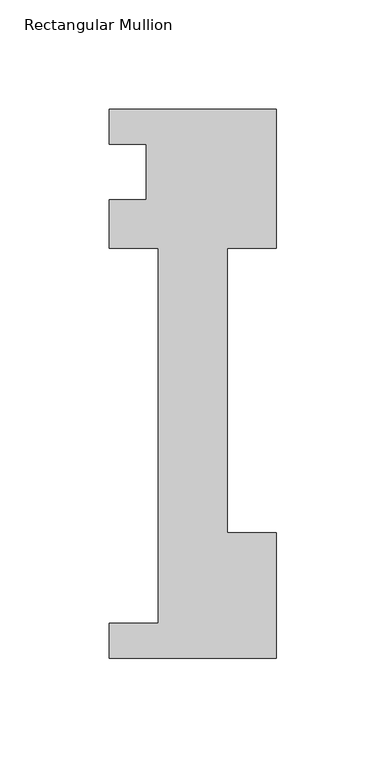
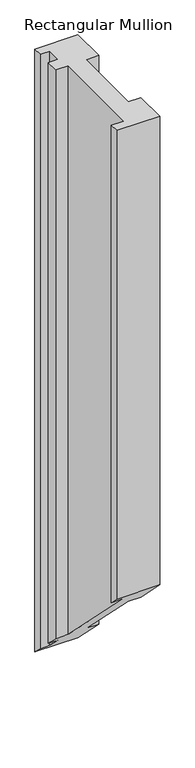
"""IFC4 building model written with IfcOpenShell, lengths in millimetres: member geometry, Rectangular Mullion."""

from ifc_helpers import new_model, si_unit, origin, place, context, project, spatial, faceted_brep, source, transform, mapped, element, save


def rectangular_mullion_b95796ad(model_context):
    return source(origin(), model_context, "Body", "Brep", [
        faceted_brep([(-76.2, -221.996, 0.0), (0.0, -221.996, 0.0), (0.0, -164.75372, 0.0), (-22.225, -164.75372, 0.0), (-22.225, -34.671, 0.0), (0.0, -34.671, 0.0), (0.0, 28.8082618, 0.0), (-76.2, 28.8082618, 0.0), (-76.2, 12.954, 0.0), (-59.2778052, 12.954, 0.0), (-59.2778052, -12.446, 0.0), (-76.2, -12.446, 0.0), (-76.2, -34.671, 0.0), (-53.975, -34.671, 0.0), (-53.975, -206.121, 0.0), (-76.2, -206.121, 0.0), (-76.2, -221.996, -878.4258754), (0.0, -221.996, -878.4258754), (0.0, -164.75372, -935.6681554), (-22.225, -164.75372, -935.6681554), (-22.225, -34.671, -1065.7508754), (0.0, -34.671, -1065.7508754), (0.0, 28.8082618, -1129.2301373), (-76.2, 28.8082618, -1129.2301373), (-76.2, 12.954, -1113.3758755), (-59.2778052, 12.954, -1113.3758755), (-59.2778052, -12.446, -1087.9758755), (-76.2, -12.446, -1087.9758755), (-76.2, -34.671, -1065.7508754), (-53.975, -34.671, -1065.7508754), (-53.975, -206.121, -894.3008754), (-76.2, -206.121, -894.3008754)], [[[0, 1, 2, 3, 4, 5, 6, 7, 8, 9, 10, 11, 12, 13, 14, 15]], [[1, 0, 16, 17]], [[2, 1, 17, 18]], [[3, 2, 18, 19]], [[4, 3, 19, 20]], [[5, 4, 20, 21]], [[6, 5, 21, 22]], [[7, 6, 22, 23]], [[8, 7, 23, 24]], [[9, 8, 24, 25]], [[10, 9, 25, 26]], [[11, 10, 26, 27]], [[12, 11, 27, 28]], [[13, 12, 28, 29]], [[14, 13, 29, 30]], [[15, 14, 30, 31]], [[0, 15, 31, 16]], [[16, 31, 30, 29, 28, 27, 26, 25, 24, 23, 22, 21, 20, 19, 18, 17]]]),
    ])


if __name__ == "__main__":
    model = new_model("IFC4")
    model_context = context("Model", 3, world=origin())
    ifc_project = project(units=[si_unit("LENGTHUNIT", "METRE", prefix="MILLI")], contexts=[model_context])
    site = spatial("IfcSite", under=ifc_project)
    building = spatial("IfcBuilding", under=site)
    placement = place(None, origin())
    rectangular_mullion_shape = rectangular_mullion_b95796ad(model_context)
    element("IfcMember", 1, ObjectType="Rectangular Mullion", at=placement, inside=building, context=model_context, shape_type="MappedRepresentation", body=[
        mapped(rectangular_mullion_shape, transform((0.0, 0.0, 0.0), x_axis=(1.0, 0.0, 0.0), y_axis=(0.0, 1.0, 0.0), z_axis=(0.0, 0.0, 1.0))),
    ])
    save(model, "model.ifc")
